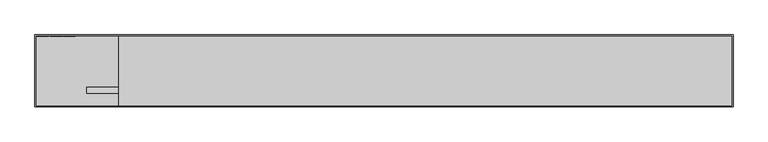
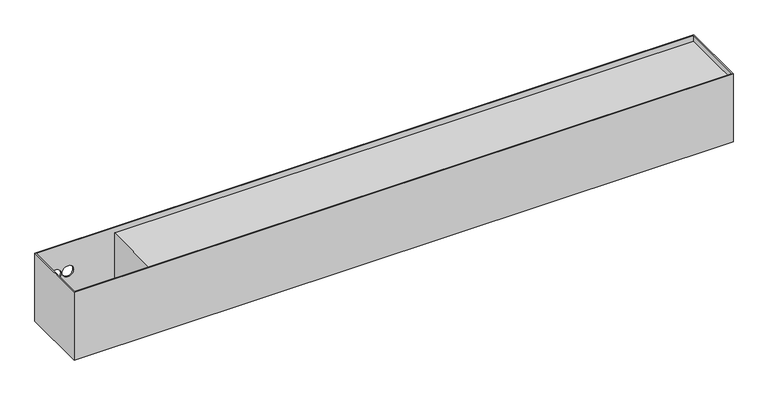
"""IFC4 building model written with IfcOpenShell, lengths in millimetres: proxy geometry."""

from ifc_helpers import new_model, si_unit, point, frame, frame_2d, origin, place, context, project, spatial, polyline, circle_curve, trimmed, segment, composite_curve, outline, extrude, source, transform, mapped, element, save
from ifc_brep_helpers import plane_surface, revolved_surface, advanced_brep


def mechanical_equipment_75a21521(model_context):
    return source(origin(), model_context, "Body", "SolidModel", [
        extrude(outline(composite_curve([segment(trimmed(circle_curve(frame_2d((-48.75, -93.0)), 7.5), [point((-56.25, -93.0))], [point((-41.25, -93.0))], False, "CARTESIAN"), True, "CONTINUOUS"), segment(trimmed(circle_curve(frame_2d((-48.75, -93.0)), 7.5), [point((-41.25, -93.0))], [point((-56.25, -93.0))], False, "CARTESIAN"), True, "CONTINUOUS")], self_intersect=False)), frame((148.0, 0.0, 0.0), z_axis=(1.0, 0.0, 0.0), x_axis=(0.0, 1.0, 0.0)), (0.0, 0.0, 1.0), 62.0),
        extrude(outline(composite_curve([segment(trimmed(circle_curve(frame_2d((-48.75, -65.7)), 7.5), [point((-56.25, -65.7))], [point((-41.25, -65.7))], False, "CARTESIAN"), True, "CONTINUOUS"), segment(trimmed(circle_curve(frame_2d((-48.75, -65.7)), 7.5), [point((-41.25, -65.7))], [point((-56.25, -65.7))], False, "CARTESIAN"), True, "CONTINUOUS")], self_intersect=False)), frame((130.0, 0.0, 0.0), z_axis=(1.0, 0.0, 0.0), x_axis=(0.0, 1.0, 0.0)), (0.0, 0.0, 1.0), 80.0),
        advanced_brep(
        [(1750.0, -90.0, 0.0), (1750.0, 90.0, 0.0), (0.0, 90.0, 0.0), (0.0, -90.0, 0.0), (3.0, -87.0, 0.0), (3.0, 87.0, 0.0), (1747.0, 87.0, 0.0), (1747.0, -87.0, 0.0), (1750.0, -90.0, -191.0), (0.0, -90.0, -191.0), (0.0, 90.0, -191.0), (1750.0, 90.0, -191.0), (35.0, 90.0, -78.7963215), (5.0, 90.0, -78.7963215), (68.0, 90.0, -78.7963215), (38.0, 90.0, -78.7963215), (101.0, 90.0, -78.7963215), (71.0, 90.0, -78.7963215), (210.0, -87.0, -189.0), (210.0, 87.0, -189.0), (3.0, 87.0, -189.0), (3.0, -87.0, -189.0), (1747.0, -87.0, -15.0), (210.0, -87.0, -15.0), (210.0, 87.0, -15.0), (1747.0, 87.0, -15.0), (5.0, 87.0, -78.7963215), (35.0, 87.0, -78.7963215), (38.0, 87.0, -78.7963215), (68.0, 87.0, -78.7963215), (71.0, 87.0, -78.7963215), (101.0, 87.0, -78.7963215)],
        [
            (0, 1),
            (1, 2),
            (2, 3),
            (3, 0),
            (4, 5),
            (5, 6),
            (6, 7),
            (7, 4),
            (8, 9),
            (9, 10),
            (10, 11),
            (11, 8),
            (3, 9),
            (8, 0),
            (2, 10),
            (1, 11),
            (12, 13, circle_curve(frame((20.0, 90.0, -78.7963215), z_axis=(0.0, -1.0, 0.0), x_axis=(1.0, 0.0, 0.0)), 15.0)),
            (13, 12, circle_curve(frame((20.0, 90.0, -78.7963215), z_axis=(0.0, -1.0, 0.0), x_axis=(1.0, 0.0, 0.0)), 15.0)),
            (14, 15, circle_curve(frame((53.0, 90.0, -78.7963215), z_axis=(0.0, -1.0, 0.0), x_axis=(1.0, 0.0, 0.0)), 15.0)),
            (15, 14, circle_curve(frame((53.0, 90.0, -78.7963215), z_axis=(0.0, -1.0, 0.0), x_axis=(1.0, 0.0, 0.0)), 15.0)),
            (16, 17, circle_curve(frame((86.0, 90.0, -78.7963215), z_axis=(0.0, -1.0, 0.0), x_axis=(1.0, 0.0, 0.0)), 15.0)),
            (17, 16, circle_curve(frame((86.0, 90.0, -78.7963215), z_axis=(0.0, -1.0, 0.0), x_axis=(1.0, 0.0, 0.0)), 15.0)),
            (18, 19),
            (19, 20),
            (20, 21),
            (21, 18),
            (21, 4),
            (7, 22),
            (22, 23),
            (23, 18),
            (20, 5),
            (19, 24),
            (24, 25),
            (25, 6),
            (26, 27, circle_curve(frame((20.0, 87.0, -78.7963215), z_axis=(0.0, 1.0, 0.0), x_axis=(1.0, 0.0, 0.0)), 15.0)),
            (27, 26, circle_curve(frame((20.0, 87.0, -78.7963215), z_axis=(0.0, 1.0, 0.0), x_axis=(1.0, 0.0, 0.0)), 15.0)),
            (28, 29, circle_curve(frame((53.0, 87.0, -78.7963215), z_axis=(0.0, 1.0, 0.0), x_axis=(1.0, 0.0, 0.0)), 15.0)),
            (29, 28, circle_curve(frame((53.0, 87.0, -78.7963215), z_axis=(0.0, 1.0, 0.0), x_axis=(1.0, 0.0, 0.0)), 15.0)),
            (30, 31, circle_curve(frame((86.0, 87.0, -78.7963215), z_axis=(0.0, 1.0, 0.0), x_axis=(1.0, 0.0, 0.0)), 15.0)),
            (31, 30, circle_curve(frame((86.0, 87.0, -78.7963215), z_axis=(0.0, 1.0, 0.0), x_axis=(1.0, 0.0, 0.0)), 15.0)),
            (23, 24),
            (22, 25),
            (27, 12),
            (13, 26),
            (29, 14),
            (15, 28),
            (31, 16),
            (17, 30),
        ],
        [
            plane_surface(frame((0.0, -90.0, 0.0), z_axis=(0.0, 0.0, 1.0), x_axis=(-1.0, 0.0, 0.0))),
            plane_surface(frame((0.0, -90.0, -191.0), z_axis=(0.0, 0.0, -1.0), x_axis=(1.0, 0.0, 0.0))),
            plane_surface(frame((1750.0, -90.0, 0.0), z_axis=(0.0, -1.0, 0.0), x_axis=(0.0, 0.0, -1.0))),
            plane_surface(frame((0.0, -90.0, 0.0), z_axis=(-1.0, 0.0, 0.0), x_axis=(0.0, 0.0, -1.0))),
            plane_surface(frame((0.0, 90.0, 0.0), z_axis=(0.0, 1.0, 0.0), x_axis=(0.0, 0.0, -1.0))),
            plane_surface(frame((1750.0, 90.0, 0.0), z_axis=(1.0, 0.0, 0.0), x_axis=(0.0, 0.0, -1.0))),
            plane_surface(frame((3.0, -87.0, -189.0), z_axis=(0.0, 0.0, 1.0), x_axis=(1.0, 0.0, 0.0))),
            plane_surface(frame((210.0, -87.0, -2.0), z_axis=(0.0, 1.0, 0.0), x_axis=(0.0, 0.0, -1.0))),
            plane_surface(frame((3.0, -87.0, -2.0), z_axis=(1.0, 0.0, 0.0), x_axis=(0.0, 0.0, -1.0))),
            plane_surface(frame((3.0, 87.0, -2.0), z_axis=(0.0, -1.0, 0.0), x_axis=(0.0, 0.0, -1.0))),
            plane_surface(frame((210.0, 87.0, -2.0), z_axis=(-1.0, 0.0, 0.0), x_axis=(0.0, 0.0, -1.0))),
            plane_surface(frame((3.0, -87.0, -15.0), z_axis=(0.0, 0.0, 1.0), x_axis=(1.0, 0.0, 0.0))),
            plane_surface(frame((1747.0, 87.0, 0.0), z_axis=(-1.0, 0.0, 0.0), x_axis=(0.0, 0.0, -1.0))),
            revolved_surface(polyline([(35.0, 90.0, -78.7963215), (35.0, 87.0, -78.7963215)]), (20.0, 80.0, -78.7963215), (0.0, 1.0, 0.0)),
            revolved_surface(polyline([(68.0, 90.0, -78.7963215), (68.0, 87.0, -78.7963215)]), (53.0, 80.0, -78.7963215), (0.0, 1.0, 0.0)),
            revolved_surface(polyline([(101.0, 90.0, -78.7963215), (101.0, 87.0, -78.7963215)]), (86.0, 80.0, -78.7963215), (0.0, 1.0, 0.0)),
        ],
        [
            (0, [[1, 2, 3, 4], [5, 6, 7, 8]]),
            (1, [[9, 10, 11, 12]]),
            (2, [[13, -9, 14, -4]]),
            (3, [[15, -10, -13, -3]]),
            (4, [[16, -11, -15, -2], [17, 18], [19, 20], [21, 22]]),
            (5, [[-14, -12, -16, -1]]),
            (6, [[23, 24, 25, 26]]),
            (7, [[27, -8, 28, 29, 30, -26]]),
            (8, [[31, -5, -27, -25]]),
            (9, [[32, 33, 34, -6, -31, -24], [35, 36], [37, 38], [39, 40]]),
            (10, [[-30, 41, -32, -23]]),
            (11, [[-33, -41, -29, 42]]),
            (12, [[-28, -7, -34, -42]]),
            (13, [[-36, 43, -18, 44]]),
            (13, [[-17, -43, -35, -44]]),
            (14, [[-38, 45, -20, 46]]),
            (14, [[-19, -45, -37, -46]]),
            (15, [[-40, 47, -22, 48]]),
            (15, [[-21, -47, -39, -48]]),
        ],
    ),
    ])


if __name__ == "__main__":
    model = new_model("IFC4")
    model_context = context("Model", 3, world=origin())
    ifc_project = project(units=[si_unit("LENGTHUNIT", "METRE", prefix="MILLI")], contexts=[model_context])
    site = spatial("IfcSite", under=ifc_project)
    building = spatial("IfcBuilding", under=site)
    placement = place(None, origin())
    mechanical_equipment_shape = mechanical_equipment_75a21521(model_context)
    element("IfcBuildingElementProxy", 1, Name="Mechanical Equipment", at=placement, inside=building, context=model_context, shape_type="MappedRepresentation", body=[
        mapped(mechanical_equipment_shape, transform((0.0, 0.0, 0.0), x_axis=(1.0, 0.0, 0.0), y_axis=(0.0, 1.0, 0.0), z_axis=(0.0, 0.0, 1.0))),
    ])
    save(model, "model.ifc")
